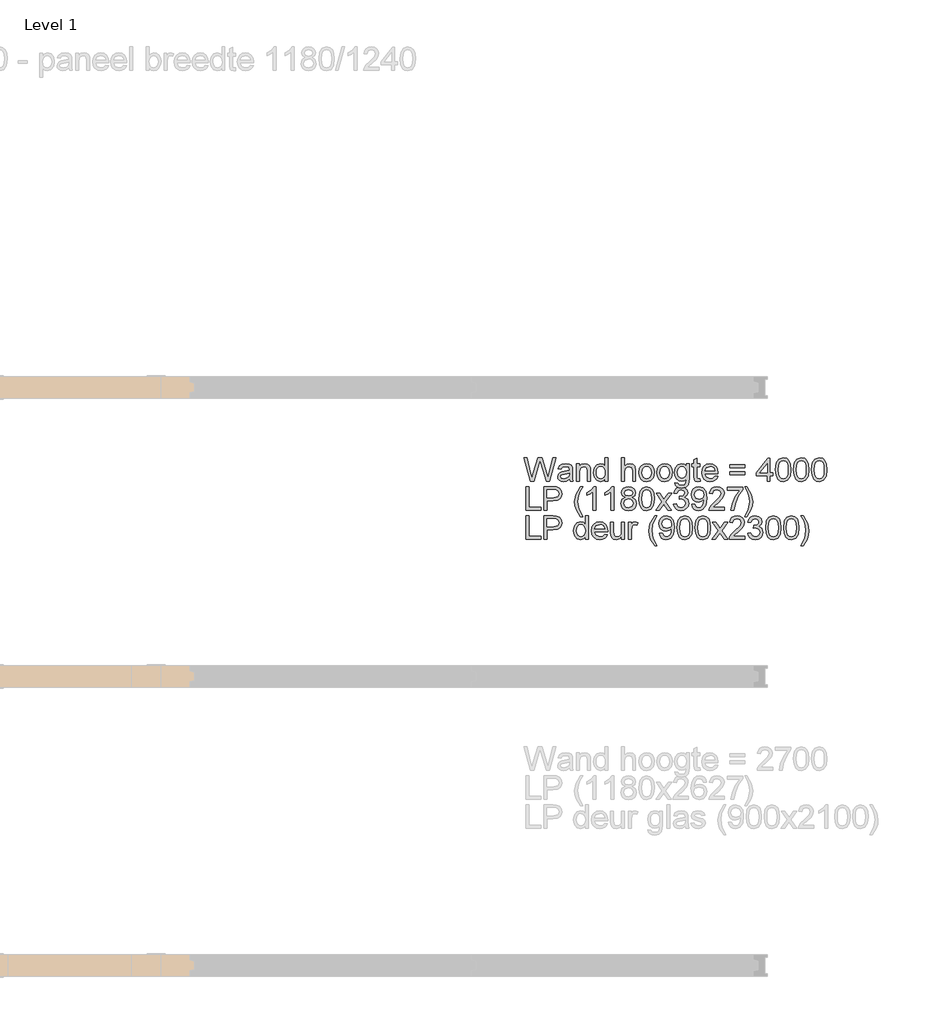
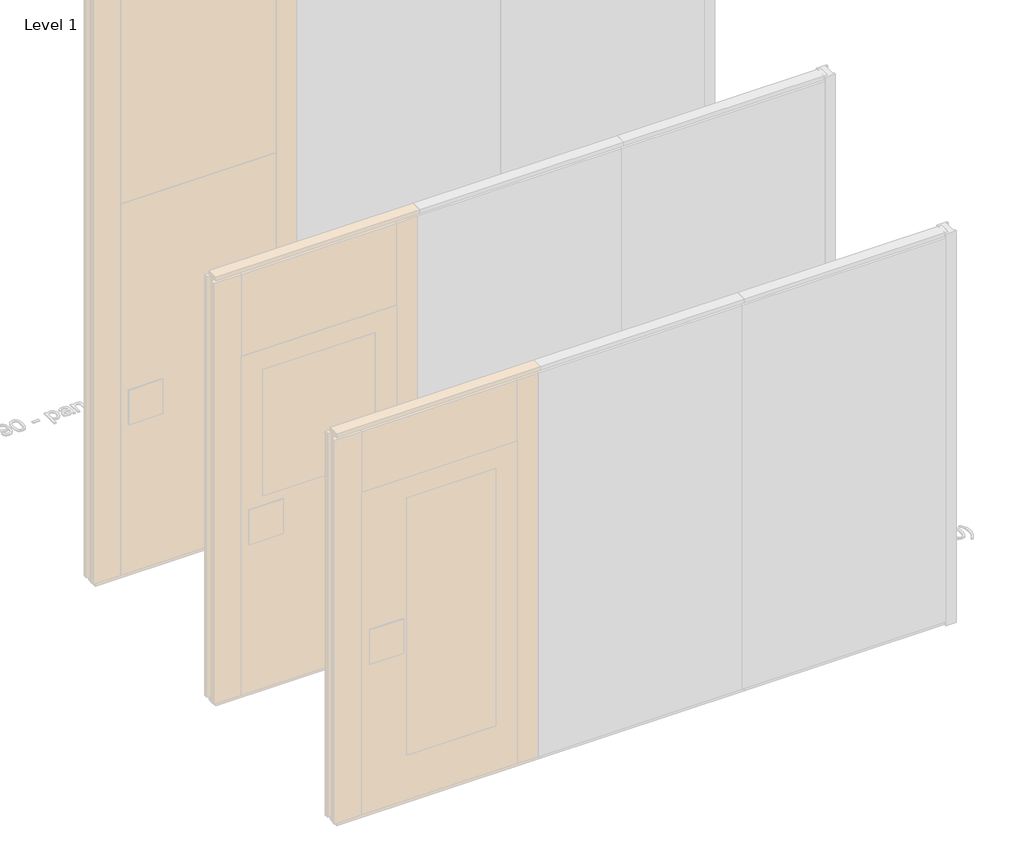
# One storey, part 17 of 17: 1 proxy.
"""IFC4 building model written with IfcOpenShell, lengths in millimetres."""

from ifc_helpers import new_model, si_unit, origin, origin_with_axes, place, context, project, spatial, polyline, outline, extrude, element, save

model = new_model("IFC4")

# Units and contexts
model_context = context("Model", 3, world=origin())
ifc_project = project(units=[si_unit("LENGTHUNIT", "METRE", prefix="MILLI")], contexts=[model_context])

# Site, building, storey
site = spatial("IfcSite", under=ifc_project)
building = spatial("IfcBuilding", under=site)
storey = spatial("IfcBuildingStorey", under=building, Name="Level 1", Elevation=0.0)

# Proxy
placement = place(None, origin())
element("IfcBuildingElementProxy", 1, Name="100 mm", ObjectType="100 mm", at=placement, inside=storey, context=model_context, shape_type="SweptSolid", body=[
    extrude(outline(polyline([(-2181.5016279, 4122.9102169), (-2208.3525894, 4221.3717554), (-2195.6602817, 4221.3717554), (-2180.0833587, 4156.6602169), (-2175.2756664, 4136.6842554), (-2170.1314356, 4154.3525246), (-2150.6122048, 4221.3717554), (-2132.3189356, 4221.3717554), (-2118.1362433, 4172.7900246), (-2107.5833587, 4136.6842554), (-2102.9198971, 4156.0832938), (-2087.1987433, 4221.3717554), (-2074.5064356, 4221.3717554), (-2101.3814356, 4122.9102169), (-2114.530474, 4122.9102169), (-2138.1362433, 4198.8717554), (-2141.4295125, 4209.4727169), (-2145.1314356, 4196.7082938), (-2166.6458587, 4122.9102169), (-2181.5016279, 4122.9102169)])), origin_with_axes(), (0.0, 0.0, 1.0), 5.0),
    extrude(outline(polyline([(-2017.5833587, 4132.1409861), (-2029.5184548, 4123.79964), (-2042.703551, 4121.3717554), (-2052.9890077, 4122.8320919), (-2060.5761471, 4127.2131015), (-2065.2546327, 4133.8657457), (-2066.8141279, 4142.1409861), (-2064.4583587, 4151.8765631), (-2058.2684548, 4158.9438707), (-2049.6506664, 4162.9823323), (-2039.0016279, 4164.8332938), (-2017.655474, 4169.0640631), (-2017.5833587, 4171.8044477), (-2020.9727817, 4180.8909861), (-2034.578551, 4184.4486784), (-2047.030474, 4182.08089), (-2052.967974, 4173.6794477), (-2065.2756664, 4175.2179092), (-2059.9511471, 4187.23714), (-2049.2299933, 4194.2804092), (-2032.9920125, 4196.7563707), (-2018.0761471, 4194.5688707), (-2009.6506664, 4189.0760823), (-2005.8766279, 4180.7227169), (-2005.2756664, 4169.9534861), (-2005.2756664, 4154.6409861), (-2004.6506664, 4133.2587746), (-2002.1987433, 4122.9102169), (-2014.5064356, 4122.9102169), (-2017.5833587, 4132.1409861)]), holes=[polyline([(-2017.5833587, 4156.7563707), (-2037.4391279, 4152.9823323), (-2048.0280702, 4150.98714), (-2052.8237433, 4147.7419477), (-2054.5064356, 4143.0063707), (-2050.8405702, 4136.3477169), (-2040.0833587, 4133.6794477), (-2027.6314356, 4136.6241592), (-2019.6025894, 4143.7515631), (-2017.655474, 4153.2707938), (-2017.5833587, 4156.7563707)])]), origin_with_axes(), (0.0, 0.0, 1.0), 5.0),
    extrude(outline(polyline([(-1988.3525894, 4122.9102169), (-1988.3525894, 4195.2179092), (-1976.0448971, 4195.2179092), (-1976.0448971, 4185.1217554), (-1966.6338394, 4193.8477169), (-1953.7852817, 4196.7563707), (-1942.1626856, 4194.4126207), (-1934.2299933, 4188.2587746), (-1930.5400894, 4179.2082938), (-1929.891051, 4167.3092554), (-1929.891051, 4122.9102169), (-1942.1987433, 4122.9102169), (-1942.1987433, 4165.6506015), (-1943.6170125, 4176.5400246), (-1948.6290317, 4182.2972361), (-1957.078551, 4184.4486784), (-1970.4319164, 4179.6169477), (-1974.6416519, 4172.6157457), (-1976.0448971, 4161.2756015), (-1976.0448971, 4122.9102169), (-1988.3525894, 4122.9102169)])), origin_with_axes(), (0.0, 0.0, 1.0), 5.0),
    extrude(outline(polyline([(-1868.3525894, 4122.9102169), (-1868.3525894, 4134.5207938), (-1876.4956183, 4124.659015), (-1887.7516279, 4121.3717554), (-1902.9920125, 4126.1313707), (-1913.7612433, 4139.4126207), (-1917.5833587, 4158.9919477), (-1914.061724, 4178.5832938), (-1903.5088394, 4192.0688707), (-1887.7997048, 4196.7563707), (-1876.453551, 4193.4030054), (-1868.3525894, 4184.6890631), (-1868.3525894, 4221.3717554), (-1856.0448971, 4221.3717554), (-1856.0448971, 4122.9102169), (-1868.3525894, 4122.9102169)]), holes=[polyline([(-1905.2756664, 4159.0400246), (-1903.8874452, 4147.9072121), (-1899.7227817, 4139.9895438), (-1893.671099, 4135.2569717), (-1886.6218202, 4133.6794477), (-1879.5755462, 4135.1848563), (-1873.6771087, 4139.7010823), (-1869.6837192, 4147.3122602), (-1868.3525894, 4158.1025246), (-1869.7077577, 4169.8993996), (-1873.7732625, 4178.0784861), (-1879.8219404, 4182.8561304), (-1887.1266279, 4184.4486784), (-1894.2480221, 4182.9192313), (-1900.0833587, 4178.33089), (-1903.9775894, 4170.4492794), (-1905.2756664, 4159.0400246)])]), origin_with_axes(), (0.0, 0.0, 1.0), 5.0),
    extrude(outline(polyline([(-1799.1218202, 4122.9102169), (-1799.1218202, 4221.3717554), (-1786.8141279, 4221.3717554), (-1786.8141279, 4185.1698323), (-1777.2167721, 4193.8597361), (-1765.3958587, 4196.7563707), (-1751.5737433, 4193.5953131), (-1743.1843202, 4184.8573323), (-1740.6602817, 4168.6794477), (-1740.6602817, 4122.9102169), (-1752.967974, 4122.9102169), (-1752.967974, 4167.4054092), (-1756.8862433, 4180.3861784), (-1767.9920125, 4184.4486784), (-1778.0761471, 4181.7082938), (-1784.8069164, 4174.2804092), (-1786.8141279, 4161.3236784), (-1786.8141279, 4122.9102169), (-1799.1218202, 4122.9102169)])), origin_with_axes(), (0.0, 0.0, 1.0), 5.0),
    extrude(outline(polyline([(-1726.8141279, 4159.0640631), (-1724.1518683, 4176.4979573), (-1716.1650894, 4188.7515631), (-1706.297301, 4194.7551688), (-1694.4823971, 4196.7563707), (-1681.5527096, 4194.3194717), (-1671.2251856, 4187.0087746), (-1664.4553539, 4175.4012025), (-1662.1987433, 4160.0736784), (-1666.1891279, 4138.17464), (-1677.811724, 4125.7828131), (-1694.4823971, 4121.3717554), (-1707.5683346, 4123.79964), (-1717.8838394, 4131.0832938), (-1724.5815558, 4142.9342554), (-1726.8141279, 4159.0640631)]), holes=[polyline([(-1714.5064356, 4159.0881015), (-1713.0821567, 4147.9492794), (-1708.8093202, 4140.0135823), (-1702.3790317, 4135.2629813), (-1694.4823971, 4133.6794477), (-1686.6218202, 4135.2719957), (-1680.203551, 4140.04964), (-1675.9307144, 4148.0905054), (-1674.5064356, 4159.4727169), (-1675.9397289, 4170.2870198), (-1680.2396087, 4178.1145438), (-1686.6668923, 4182.8651448), (-1694.4823971, 4184.4486784), (-1702.3790317, 4182.8711544), (-1708.8093202, 4178.1385823), (-1713.0821567, 4170.220914), (-1714.5064356, 4159.0881015)])]), origin_with_axes(), (0.0, 0.0, 1.0), 5.0),
    extrude(outline(polyline([(-1651.4295125, 4159.0640631), (-1648.7672529, 4176.4979573), (-1640.780474, 4188.7515631), (-1630.9126856, 4194.7551688), (-1619.0977817, 4196.7563707), (-1606.1680942, 4194.3194717), (-1595.8405702, 4187.0087746), (-1589.0707385, 4175.4012025), (-1586.8141279, 4160.0736784), (-1590.8045125, 4138.17464), (-1602.4271087, 4125.7828131), (-1619.0977817, 4121.3717554), (-1632.1837192, 4123.79964), (-1642.499224, 4131.0832938), (-1649.1969404, 4142.9342554), (-1651.4295125, 4159.0640631)]), holes=[polyline([(-1639.1218202, 4159.0881015), (-1637.6975414, 4147.9492794), (-1633.4247048, 4140.0135823), (-1626.9944164, 4135.2629813), (-1619.0977817, 4133.6794477), (-1611.2372048, 4135.2719957), (-1604.8189356, 4140.04964), (-1600.546099, 4148.0905054), (-1599.1218202, 4159.4727169), (-1600.5551135, 4170.2870198), (-1604.8549933, 4178.1145438), (-1611.2822769, 4182.8651448), (-1619.0977817, 4184.4486784), (-1626.9944164, 4182.8711544), (-1633.4247048, 4178.1385823), (-1637.6975414, 4170.220914), (-1639.1218202, 4159.0881015)])]), origin_with_axes(), (0.0, 0.0, 1.0), 5.0),
    extrude(outline(polyline([(-1576.0448971, 4116.7563707), (-1563.7372048, 4115.2179092), (-1559.7468202, 4108.7275246), (-1547.7997048, 4105.98714), (-1535.203551, 4109.0881015), (-1529.1939356, 4117.7900246), (-1528.3525894, 4132.1409861), (-1537.0184548, 4125.2179092), (-1547.5833587, 4122.9102169), (-1560.2726615, 4125.596515), (-1569.734801, 4133.6554092), (-1575.6212192, 4145.4703131), (-1577.5833587, 4159.42464), (-1574.061724, 4178.4991592), (-1563.8694164, 4191.9967554), (-1548.1843202, 4196.7563707), (-1537.2047529, 4194.0640631), (-1528.3525894, 4185.98714), (-1528.3525894, 4195.2179092), (-1516.0448971, 4195.2179092), (-1516.0448971, 4132.7900246), (-1519.4102817, 4108.8837746), (-1530.0713394, 4097.7659861), (-1548.0400894, 4093.6794477), (-1559.4914115, 4095.1187506), (-1568.5088394, 4099.4366592), (-1574.2930942, 4106.6451929), (-1576.0448971, 4116.7563707)]), holes=[polyline([(-1565.2756664, 4160.2659861), (-1563.9625654, 4148.9769236), (-1560.0232625, 4141.2155054), (-1554.1007865, 4136.7173082), (-1546.8381664, 4135.2179092), (-1539.6296327, 4136.7082938), (-1533.6771087, 4141.1794477), (-1529.6837192, 4148.8417073), (-1528.3525894, 4159.9054092), (-1529.7227817, 4170.5754813), (-1533.8333587, 4178.2587746), (-1539.8730221, 4182.9012025), (-1547.030474, 4184.4486784), (-1554.0587192, 4182.9252409), (-1559.9511471, 4178.3549284), (-1563.9445365, 4170.7858179), (-1565.2756664, 4160.2659861)])]), origin_with_axes(), (0.0, 0.0, 1.0), 5.0),
    extrude(outline(polyline([(-1471.4295125, 4133.17464), (-1469.891051, 4122.54964), (-1479.0977817, 4121.3717554), (-1489.4102817, 4123.4150246), (-1494.5545125, 4128.7756015), (-1496.0448971, 4142.7419477), (-1496.0448971, 4182.9102169), (-1505.2756664, 4182.9102169), (-1505.2756664, 4195.2179092), (-1496.0448971, 4195.2179092), (-1496.0448971, 4212.7900246), (-1483.7372048, 4220.0256015), (-1483.7372048, 4195.2179092), (-1471.4295125, 4195.2179092), (-1471.4295125, 4182.9102169), (-1483.7372048, 4182.9102169), (-1483.7372048, 4143.1025246), (-1483.0881664, 4136.7563707), (-1480.984801, 4134.5087746), (-1476.7900894, 4133.6794477), (-1471.4295125, 4133.17464)])), origin_with_axes(), (0.0, 0.0, 1.0), 5.0),
    extrude(outline(polyline([(-1408.4968202, 4144.4486784), (-1396.4295125, 4142.9102169), (-1400.7774692, 4133.8176688), (-1407.7155702, 4127.0207938), (-1417.0875654, 4122.784015), (-1428.7372048, 4121.3717554), (-1443.1783106, 4123.8086544), (-1454.2900894, 4131.1193515), (-1461.375426, 4142.8290871), (-1463.7372048, 4158.4631015), (-1461.3513875, 4174.6229573), (-1454.1939356, 4186.7082938), (-1443.2323971, 4194.2443515), (-1429.4343202, 4196.7563707), (-1416.0659308, 4194.2503611), (-1405.3838394, 4186.7323323), (-1398.3796327, 4174.6710342), (-1396.0448971, 4158.5352169), (-1396.1170125, 4155.2179092), (-1451.4295125, 4155.2179092), (-1449.2991039, 4146.0051688), (-1444.3501856, 4139.2323323), (-1428.4968202, 4133.6794477), (-1416.4295125, 4136.2515631), (-1408.4968202, 4144.4486784)]), holes=[polyline([(-1451.4295125, 4167.5256015), (-1408.3525894, 4167.5256015), (-1413.280474, 4178.6794477), (-1420.4559548, 4183.0063707), (-1429.4823971, 4184.4486784), (-1444.6386471, 4179.8453131), (-1451.4295125, 4167.5256015)])]), origin_with_axes(), (0.0, 0.0, 1.0), 5.0),
    extrude(outline(polyline([(-1282.1987433, 4179.8332938), (-1346.8141279, 4179.8332938), (-1346.8141279, 4192.1409861), (-1282.1987433, 4192.1409861), (-1282.1987433, 4179.8332938)])), origin_with_axes(), (0.0, 0.0, 1.0), 5.0),
    extrude(outline(polyline([(-1282.1987433, 4150.6025246), (-1346.8141279, 4150.6025246), (-1346.8141279, 4162.9102169), (-1282.1987433, 4162.9102169), (-1282.1987433, 4150.6025246)])), origin_with_axes(), (0.0, 0.0, 1.0), 5.0),
    extrude(outline(polyline([(-1189.891051, 4122.9102169), (-1189.891051, 4145.98714), (-1234.5064356, 4145.98714), (-1234.5064356, 4158.2948323), (-1186.8141279, 4219.8332938), (-1177.5833587, 4219.8332938), (-1177.5833587, 4158.2948323), (-1165.2756664, 4158.2948323), (-1165.2756664, 4145.98714), (-1177.5833587, 4145.98714), (-1177.5833587, 4122.9102169), (-1189.891051, 4122.9102169)]), holes=[polyline([(-1189.891051, 4158.2948323), (-1189.891051, 4196.3236784), (-1219.3622048, 4158.2948323), (-1189.891051, 4158.2948323)])]), origin_with_axes(), (0.0, 0.0, 1.0), 5.0),
    extrude(outline(polyline([(-1154.5064356, 4171.3477169), (-1150.8886471, 4199.6770438), (-1140.1434548, 4216.0111784), (-1122.1987433, 4221.3717554), (-1107.8237433, 4218.1986784), (-1097.8958587, 4209.0520438), (-1092.1266279, 4194.4847361), (-1089.891051, 4171.3477169), (-1093.4727817, 4143.1385823), (-1104.1819164, 4126.76839), (-1122.1987433, 4121.3717554), (-1134.9872048, 4123.7155054), (-1144.6987433, 4130.7467554), (-1152.0545125, 4147.3993996), (-1154.5064356, 4171.3477169)]), holes=[polyline([(-1142.1987433, 4171.3717554), (-1140.7564356, 4152.0117794), (-1136.4295125, 4140.8068515), (-1129.9872048, 4135.4612986), (-1122.1987433, 4133.6794477), (-1114.4102817, 4135.4673082), (-1107.967974, 4140.83089), (-1103.641051, 4152.0418275), (-1102.1987433, 4171.3717554), (-1103.592974, 4190.2960342), (-1107.7756664, 4201.5881015), (-1114.2059548, 4207.1950727), (-1122.342974, 4209.0640631), (-1130.047301, 4207.4174284), (-1136.2372048, 4202.4775246), (-1140.7083587, 4190.4823323), (-1142.1987433, 4171.3717554)])]), origin_with_axes(), (0.0, 0.0, 1.0), 5.0),
    extrude(outline(polyline([(-1079.1218202, 4171.3477169), (-1075.5040317, 4199.6770438), (-1064.7588394, 4216.0111784), (-1046.8141279, 4221.3717554), (-1032.4391279, 4218.1986784), (-1022.5112433, 4209.0520438), (-1016.7420125, 4194.4847361), (-1014.5064356, 4171.3477169), (-1018.0881664, 4143.1385823), (-1028.797301, 4126.76839), (-1046.8141279, 4121.3717554), (-1059.6025894, 4123.7155054), (-1069.3141279, 4130.7467554), (-1076.6698971, 4147.3993996), (-1079.1218202, 4171.3477169)]), holes=[polyline([(-1066.8141279, 4171.3717554), (-1065.3718202, 4152.0117794), (-1061.0448971, 4140.8068515), (-1054.6025894, 4135.4612986), (-1046.8141279, 4133.6794477), (-1039.0256664, 4135.4673082), (-1032.5833587, 4140.83089), (-1028.2564356, 4152.0418275), (-1026.8141279, 4171.3717554), (-1028.2083587, 4190.2960342), (-1032.391051, 4201.5881015), (-1038.8213394, 4207.1950727), (-1046.9583587, 4209.0640631), (-1054.6626856, 4207.4174284), (-1060.8525894, 4202.4775246), (-1065.3237433, 4190.4823323), (-1066.8141279, 4171.3717554)])]), origin_with_axes(), (0.0, 0.0, 1.0), 5.0),
    extrude(outline(polyline([(-1003.7372048, 4171.3477169), (-1000.1194164, 4199.6770438), (-989.374224, 4216.0111784), (-971.4295125, 4221.3717554), (-957.0545125, 4218.1986784), (-947.1266279, 4209.0520438), (-941.3573971, 4194.4847361), (-939.1218202, 4171.3477169), (-942.703551, 4143.1385823), (-953.4126856, 4126.76839), (-971.4295125, 4121.3717554), (-984.217974, 4123.7155054), (-993.9295125, 4130.7467554), (-1001.2852817, 4147.3993996), (-1003.7372048, 4171.3477169)]), holes=[polyline([(-991.4295125, 4171.3717554), (-989.9872048, 4152.0117794), (-985.6602817, 4140.8068515), (-979.217974, 4135.4612986), (-971.4295125, 4133.6794477), (-963.641051, 4135.4673082), (-957.1987433, 4140.83089), (-952.8718202, 4152.0418275), (-951.4295125, 4171.3717554), (-952.8237433, 4190.2960342), (-957.0064356, 4201.5881015), (-963.436724, 4207.1950727), (-971.5737433, 4209.0640631), (-979.2780702, 4207.4174284), (-985.467974, 4202.4775246), (-989.9391279, 4190.4823323), (-991.4295125, 4171.3717554)])]), origin_with_axes(), (0.0, 0.0, 1.0), 5.0),
    extrude(outline(polyline([(-2199.1218202, 4001.3717554), (-2199.1218202, 4099.8332938), (-2186.8141279, 4099.8332938), (-2186.8141279, 4013.6794477), (-2137.5833587, 4013.6794477), (-2137.5833587, 4001.3717554), (-2199.1218202, 4001.3717554)])), origin_with_axes(), (0.0, 0.0, 1.0), 5.0),
    extrude(outline(polyline([(-2123.7372048, 4001.3717554), (-2123.7372048, 4099.8332938), (-2087.2468202, 4099.8332938), (-2072.5352817, 4098.8957938), (-2060.5761471, 4094.2924284), (-2052.8237433, 4084.7731977), (-2049.891051, 4071.3477169), (-2051.8712192, 4059.7431496), (-2057.811724, 4050.0736784), (-2068.9204981, 4043.5472361), (-2086.405474, 4041.3717554), (-2111.4295125, 4041.3717554), (-2111.4295125, 4001.3717554), (-2123.7372048, 4001.3717554)]), holes=[polyline([(-2111.4295125, 4053.6794477), (-2085.6843202, 4053.6794477), (-2067.5593202, 4058.1986784), (-2063.5388875, 4063.6373804), (-2062.1987433, 4070.9150246), (-2065.359801, 4081.1073323), (-2073.6650894, 4086.6842554), (-2085.9727817, 4087.5256015), (-2111.4295125, 4087.5256015), (-2111.4295125, 4053.6794477)])]), origin_with_axes(), (0.0, 0.0, 1.0), 5.0),
    extrude(outline(polyline([(-1971.4295125, 3973.6794477), (-1988.905474, 4002.54964), (-1994.2600414, 4019.3885823), (-1996.0448971, 4036.8284861), (-1990.7083587, 4066.7563707), (-1971.4295125, 4099.8332938), (-1962.1987433, 4099.8332938), (-1973.7131664, 4080.3381015), (-1980.6362433, 4061.4438707), (-1983.7372048, 4036.7563707), (-1978.3525894, 4005.20589), (-1962.1987433, 3973.6794477), (-1971.4295125, 3973.6794477)])), origin_with_axes(), (0.0, 0.0, 1.0), 5.0),
    extrude(outline(polyline([(-1906.8141279, 4001.3717554), (-1919.1218202, 4001.3717554), (-1919.1218202, 4078.1025246), (-1930.780474, 4069.7972361), (-1943.7372048, 4063.5832938), (-1943.7372048, 4075.2179092), (-1925.6963394, 4086.7323323), (-1914.7468202, 4099.8332938), (-1906.8141279, 4099.8332938), (-1906.8141279, 4001.3717554)])), origin_with_axes(), (0.0, 0.0, 1.0), 5.0),
    extrude(outline(polyline([(-1831.4295125, 4001.3717554), (-1843.7372048, 4001.3717554), (-1843.7372048, 4078.1025246), (-1855.3958587, 4069.7972361), (-1868.3525894, 4063.5832938), (-1868.3525894, 4075.2179092), (-1850.311724, 4086.7323323), (-1839.3622048, 4099.8332938), (-1831.4295125, 4099.8332938), (-1831.4295125, 4001.3717554)])), origin_with_axes(), (0.0, 0.0, 1.0), 5.0),
    extrude(outline(polyline([(-1784.266051, 4055.6025246), (-1795.4799933, 4063.2467554), (-1799.1218202, 4075.1457938), (-1797.1386471, 4084.7671881), (-1791.1891279, 4092.7179092), (-1781.9403298, 4098.0544477), (-1770.0593202, 4099.8332938), (-1758.1061952, 4098.0123804), (-1748.7372048, 4092.54964), (-1742.6795125, 4084.4727169), (-1740.6602817, 4074.8092554), (-1744.2540317, 4063.2106977), (-1755.155474, 4055.6025246), (-1742.0665317, 4045.9510823), (-1737.5833587, 4030.0256015), (-1739.8069164, 4018.2587746), (-1746.4775894, 4008.5352169), (-1756.7780702, 4002.0087746), (-1769.891051, 3999.8332938), (-1783.0040317, 4002.017789), (-1793.3045125, 4008.5712746), (-1799.9751856, 4018.3879813), (-1802.1987433, 4030.36214), (-1797.5352817, 4046.6602169), (-1784.266051, 4055.6025246)]), holes=[polyline([(-1789.891051, 4030.7948323), (-1787.8357625, 4021.5280054), (-1780.5641279, 4014.5929092), (-1769.7948971, 4012.1409861), (-1755.1314356, 4017.2972361), (-1749.891051, 4030.4102169), (-1755.2997048, 4043.7756015), (-1761.7299933, 4047.7419477), (-1770.203551, 4049.0640631), (-1784.686724, 4043.8477169), (-1789.891051, 4030.7948323)]), polyline([(-1786.8141279, 4074.7852169), (-1782.4511471, 4065.1217554), (-1769.7468202, 4061.3717554), (-1757.2948971, 4065.0977169), (-1752.967974, 4074.2323323), (-1757.4391279, 4083.6914669), (-1769.891051, 4087.5256015), (-1782.3790317, 4083.7756015), (-1786.8141279, 4074.7852169)])]), origin_with_axes(), (0.0, 0.0, 1.0), 5.0),
    extrude(outline(polyline([(-1726.8141279, 4049.8092554), (-1723.1963394, 4078.1385823), (-1712.4511471, 4094.4727169), (-1694.5064356, 4099.8332938), (-1680.1314356, 4096.6602169), (-1670.203551, 4087.5135823), (-1664.4343202, 4072.9462746), (-1662.1987433, 4049.8092554), (-1665.780474, 4021.6001207), (-1676.4896087, 4005.2299284), (-1694.5064356, 3999.8332938), (-1707.2948971, 4002.1770438), (-1717.0064356, 4009.2082938), (-1724.3622048, 4025.8609381), (-1726.8141279, 4049.8092554)]), holes=[polyline([(-1714.5064356, 4049.8332938), (-1713.0641279, 4030.4733179), (-1708.7372048, 4019.26839), (-1702.2948971, 4013.9228371), (-1694.5064356, 4012.1409861), (-1686.717974, 4013.9288467), (-1680.2756664, 4019.2924284), (-1675.9487433, 4030.5033659), (-1674.5064356, 4049.8332938), (-1675.9006664, 4068.7575727), (-1680.0833587, 4080.04964), (-1686.5136471, 4085.6566111), (-1694.6506664, 4087.5256015), (-1702.3549933, 4085.8789669), (-1708.5448971, 4080.9390631), (-1713.016051, 4068.9438707), (-1714.5064356, 4049.8332938)])]), origin_with_axes(), (0.0, 0.0, 1.0), 5.0),
    extrude(outline(polyline([(-1656.0448971, 4001.3717554), (-1629.7468202, 4037.7179092), (-1654.5064356, 4073.6794477), (-1639.6987433, 4073.6794477), (-1627.7516279, 4056.3717554), (-1622.1747048, 4048.1986784), (-1617.342974, 4054.8813707), (-1603.7372048, 4073.6794477), (-1588.9295125, 4073.6794477), (-1614.9391279, 4037.7179092), (-1589.891051, 4001.3717554), (-1604.6987433, 4001.3717554), (-1619.7708587, 4023.2227169), (-1622.5352817, 4027.2131015), (-1641.2372048, 4001.3717554), (-1656.0448971, 4001.3717554)])), origin_with_axes(), (0.0, 0.0, 1.0), 5.0),
    extrude(outline(polyline([(-1582.1987433, 4027.5256015), (-1569.891051, 4029.0640631), (-1563.1001856, 4016.1073323), (-1550.3958587, 4012.1409861), (-1541.9583587, 4013.5051688), (-1535.4439356, 4017.5977169), (-1529.891051, 4031.1073323), (-1535.3958587, 4043.8356977), (-1549.3862433, 4048.8717554), (-1558.016051, 4047.5256015), (-1556.6458587, 4059.8332938), (-1554.6747048, 4059.6890631), (-1540.7083587, 4063.2227169), (-1536.0569164, 4067.70589), (-1534.5064356, 4074.0881015), (-1539.0016279, 4083.7155054), (-1550.5881664, 4087.5256015), (-1562.3189356, 4083.6794477), (-1568.3525894, 4072.1409861), (-1580.6602817, 4073.6794477), (-1577.0364837, 4084.7311304), (-1570.5881664, 4092.9823323), (-1561.766051, 4098.1205534), (-1551.0208587, 4099.8332938), (-1536.1771087, 4096.45589), (-1525.7924933, 4087.2251207), (-1522.1987433, 4074.8092554), (-1525.6122048, 4063.4631015), (-1535.7083587, 4055.3140631), (-1522.2948971, 4046.9006015), (-1517.5833587, 4030.8909861), (-1519.9391279, 4018.8957938), (-1527.0064356, 4008.8717554), (-1537.6735029, 4002.0929092), (-1550.828551, 3999.8332938), (-1562.7275894, 4001.7623804), (-1572.4150894, 4007.54964), (-1579.1518683, 4016.4018034), (-1582.1987433, 4027.5256015)])), origin_with_axes(), (0.0, 0.0, 1.0), 5.0),
    extrude(outline(polyline([(-1505.2756664, 4025.98714), (-1492.967974, 4027.5256015), (-1487.4391279, 4015.7828131), (-1476.9583587, 4012.1409861), (-1466.9944164, 4014.4847361), (-1460.2396087, 4020.7467554), (-1456.2131664, 4031.4438707), (-1454.4343202, 4045.7227169), (-1454.5064356, 4048.1265631), (-1464.3501856, 4038.79964), (-1477.8477817, 4035.2179092), (-1489.0707385, 4037.4054092), (-1498.4126856, 4043.9679092), (-1504.7137673, 4054.1061304), (-1506.8141279, 4067.0207938), (-1504.6116039, 4080.36214), (-1498.0040317, 4090.8188707), (-1488.0791519, 4097.5796881), (-1475.9247048, 4099.8332938), (-1458.3886471, 4094.6890631), (-1446.3213394, 4080.0256015), (-1442.1987433, 4052.4775246), (-1446.3093202, 4022.5856977), (-1458.5328779, 4005.6506015), (-1467.3399692, 4001.2876207), (-1477.5352817, 3999.8332938), (-1488.0581183, 4001.549039), (-1496.453551, 4006.6962746), (-1502.3249452, 4014.9504813), (-1505.2756664, 4025.98714)]), holes=[polyline([(-1454.5064356, 4067.3092554), (-1459.8189356, 4082.0688707), (-1473.9295125, 4087.5256015), (-1482.1506664, 4086.0562506), (-1488.7372048, 4081.6481977), (-1493.0641279, 4074.9024044), (-1494.5064356, 4066.4198323), (-1489.0497048, 4052.7780054), (-1474.266051, 4047.5256015), (-1460.0713394, 4052.7780054), (-1455.8976615, 4059.0370198), (-1454.5064356, 4067.3092554)])]), origin_with_axes(), (0.0, 0.0, 1.0), 5.0),
    extrude(outline(polyline([(-1368.3525894, 4013.6794477), (-1368.3525894, 4001.3717554), (-1432.967974, 4001.3717554), (-1431.6458587, 4009.8573323), (-1424.1698971, 4022.9222361), (-1408.7612433, 4037.1890631), (-1387.5112433, 4057.6938707), (-1382.1987433, 4071.6361784), (-1387.2107625, 4082.9222361), (-1400.2997048, 4087.5256015), (-1413.9415317, 4083.0304092), (-1419.1218202, 4070.6025246), (-1431.4295125, 4072.1409861), (-1428.4457385, 4084.0460342), (-1421.9944164, 4092.7419477), (-1412.4120846, 4098.0604573), (-1400.0352817, 4099.8332938), (-1387.5683346, 4097.86214), (-1378.0040317, 4091.9486784), (-1371.9192962, 4083.1145438), (-1369.891051, 4072.3813707), (-1372.078551, 4060.7106977), (-1379.3501856, 4048.64339), (-1396.9823971, 4031.7804092), (-1411.141051, 4019.9414669), (-1416.6939356, 4013.6794477), (-1368.3525894, 4013.6794477)])), origin_with_axes(), (0.0, 0.0, 1.0), 5.0),
    extrude(outline(polyline([(-1356.0448971, 4085.98714), (-1356.0448971, 4098.2948323), (-1291.4295125, 4098.2948323), (-1291.4295125, 4088.3429092), (-1309.7588394, 4061.8645438), (-1323.7852817, 4028.1265631), (-1328.3525894, 4001.3717554), (-1340.6602817, 4001.3717554), (-1335.7684548, 4029.1361784), (-1322.342974, 4060.51839), (-1303.7372048, 4085.98714), (-1356.0448971, 4085.98714)])), origin_with_axes(), (0.0, 0.0, 1.0), 5.0),
    extrude(outline(polyline([(-1274.5064356, 3973.6794477), (-1283.7372048, 3973.6794477), (-1267.5833587, 4005.20589), (-1262.1987433, 4036.7563707), (-1265.2997048, 4061.2275246), (-1272.1506664, 4080.1457938), (-1283.7372048, 4099.8332938), (-1274.5064356, 4099.8332938), (-1255.2275894, 4066.7563707), (-1249.891051, 4036.8284861), (-1251.6849212, 4019.3885823), (-1257.0665317, 4002.54964), (-1274.5064356, 3973.6794477)])), origin_with_axes(), (0.0, 0.0, 1.0), 5.0),
    extrude(outline(polyline([(-2199.1218202, 3879.8332938), (-2199.1218202, 3978.2948323), (-2186.8141279, 3978.2948323), (-2186.8141279, 3892.1409861), (-2137.5833587, 3892.1409861), (-2137.5833587, 3879.8332938), (-2199.1218202, 3879.8332938)])), origin_with_axes(), (0.0, 0.0, 1.0), 5.0),
    extrude(outline(polyline([(-2123.7372048, 3879.8332938), (-2123.7372048, 3978.2948323), (-2087.2468202, 3978.2948323), (-2072.5352817, 3977.3573323), (-2060.5761471, 3972.7539669), (-2052.8237433, 3963.2347361), (-2049.891051, 3949.8092554), (-2051.8712192, 3938.2046881), (-2057.811724, 3928.5352169), (-2068.9204981, 3922.0087746), (-2086.405474, 3919.8332938), (-2111.4295125, 3919.8332938), (-2111.4295125, 3879.8332938), (-2123.7372048, 3879.8332938)]), holes=[polyline([(-2111.4295125, 3932.1409861), (-2085.6843202, 3932.1409861), (-2067.5593202, 3936.6602169), (-2063.5388875, 3942.0989188), (-2062.1987433, 3949.3765631), (-2065.359801, 3959.5688707), (-2073.6650894, 3965.1457938), (-2085.9727817, 3965.98714), (-2111.4295125, 3965.98714), (-2111.4295125, 3932.1409861)])]), origin_with_axes(), (0.0, 0.0, 1.0), 5.0),
    extrude(outline(polyline([(-1951.4295125, 3879.8332938), (-1951.4295125, 3891.4438707), (-1959.5725414, 3881.5820919), (-1970.828551, 3878.2948323), (-1986.0689356, 3883.0544477), (-1996.8381664, 3896.3356977), (-2000.6602817, 3915.9150246), (-1997.1386471, 3935.5063707), (-1986.5857625, 3948.9919477), (-1970.8766279, 3953.6794477), (-1959.530474, 3950.3260823), (-1951.4295125, 3941.61214), (-1951.4295125, 3978.2948323), (-1939.1218202, 3978.2948323), (-1939.1218202, 3879.8332938), (-1951.4295125, 3879.8332938)]), holes=[polyline([(-1988.3525894, 3915.9631015), (-1986.9643683, 3904.830289), (-1982.7997048, 3896.9126207), (-1976.7480221, 3892.1800486), (-1969.6987433, 3890.6025246), (-1962.6524692, 3892.1079332), (-1956.7540317, 3896.6241592), (-1952.7606423, 3904.2353371), (-1951.4295125, 3915.0256015), (-1952.7846808, 3926.8224765), (-1956.8501856, 3935.0015631), (-1962.8988635, 3939.7792073), (-1970.203551, 3941.3717554), (-1977.3249452, 3939.8423082), (-1983.1602817, 3935.2539669), (-1987.0545125, 3927.3723563), (-1988.3525894, 3915.9631015)])]), origin_with_axes(), (0.0, 0.0, 1.0), 5.0),
    extrude(outline(polyline([(-1870.0352817, 3901.3717554), (-1857.967974, 3899.8332938), (-1862.3159308, 3890.7407457), (-1869.2540317, 3883.9438707), (-1878.6260269, 3879.7070919), (-1890.2756664, 3878.2948323), (-1904.7167721, 3880.7317313), (-1915.828551, 3888.0424284), (-1922.9138875, 3899.752164), (-1925.2756664, 3915.3861784), (-1922.889849, 3931.5460342), (-1915.7323971, 3943.6313707), (-1904.7708587, 3951.1674284), (-1890.9727817, 3953.6794477), (-1877.6043923, 3951.1734381), (-1866.922301, 3943.6554092), (-1859.9180942, 3931.5941111), (-1857.5833587, 3915.4582938), (-1857.655474, 3912.1409861), (-1912.967974, 3912.1409861), (-1910.8375654, 3902.9282457), (-1905.8886471, 3896.1554092), (-1890.0352817, 3890.6025246), (-1877.967974, 3893.17464), (-1870.0352817, 3901.3717554)]), holes=[polyline([(-1912.967974, 3924.4486784), (-1869.891051, 3924.4486784), (-1874.8189356, 3935.6025246), (-1881.9944164, 3939.9294477), (-1891.0208587, 3941.3717554), (-1906.1771087, 3936.76839), (-1912.967974, 3924.4486784)])]), origin_with_axes(), (0.0, 0.0, 1.0), 5.0),
    extrude(outline(polyline([(-1799.1218202, 3879.8332938), (-1799.1218202, 3892.2611784), (-1808.7612433, 3881.7864188), (-1821.3333587, 3878.2948323), (-1832.9078779, 3880.7467554), (-1840.8886471, 3886.9006015), (-1844.5545125, 3895.9631015), (-1845.2756664, 3907.4054092), (-1845.2756664, 3952.1409861), (-1832.967974, 3952.1409861), (-1832.967974, 3913.1986784), (-1832.2227817, 3900.6506015), (-1827.3549933, 3893.2828131), (-1818.1843202, 3890.6025246), (-1807.9078779, 3893.3429092), (-1801.1170125, 3900.8068515), (-1799.1218202, 3914.5207938), (-1799.1218202, 3952.1409861), (-1786.8141279, 3952.1409861), (-1786.8141279, 3879.8332938), (-1799.1218202, 3879.8332938)])), origin_with_axes(), (0.0, 0.0, 1.0), 5.0),
    extrude(outline(polyline([(-1769.891051, 3879.8332938), (-1769.891051, 3952.1409861), (-1759.1218202, 3952.1409861), (-1759.1218202, 3941.4438707), (-1751.4775894, 3951.29964), (-1743.7852817, 3953.6794477), (-1731.4295125, 3949.8813707), (-1735.5400894, 3938.8477169), (-1744.1939356, 3941.3717554), (-1751.1530702, 3938.9438707), (-1755.5881664, 3932.2131015), (-1757.5833587, 3917.8381015), (-1757.5833587, 3879.8332938), (-1769.891051, 3879.8332938)])), origin_with_axes(), (0.0, 0.0, 1.0), 5.0),
    extrude(outline(polyline([(-1660.6602817, 3852.1409861), (-1678.1362433, 3881.0111784), (-1683.4908106, 3897.8501207), (-1685.2756664, 3915.2900246), (-1679.9391279, 3945.2179092), (-1660.6602817, 3978.2948323), (-1651.4295125, 3978.2948323), (-1662.9439356, 3958.79964), (-1669.8670125, 3939.9054092), (-1672.967974, 3915.2179092), (-1667.5833587, 3883.6674284), (-1651.4295125, 3852.1409861), (-1660.6602817, 3852.1409861)])), origin_with_axes(), (0.0, 0.0, 1.0), 5.0),
    extrude(outline(polyline([(-1640.6602817, 3904.4486784), (-1628.3525894, 3905.98714), (-1622.8237433, 3894.2443515), (-1612.342974, 3890.6025246), (-1602.3790317, 3892.9462746), (-1595.624224, 3899.2082938), (-1591.5977817, 3909.9054092), (-1589.8189356, 3924.1842554), (-1589.891051, 3926.5881015), (-1599.734801, 3917.2611784), (-1613.2323971, 3913.6794477), (-1624.4553539, 3915.8669477), (-1633.797301, 3922.4294477), (-1640.0983827, 3932.5676688), (-1642.1987433, 3945.4823323), (-1639.9962192, 3958.8236784), (-1633.3886471, 3969.2804092), (-1623.4637673, 3976.0412265), (-1611.3093202, 3978.2948323), (-1593.7732625, 3973.1506015), (-1581.7059548, 3958.48714), (-1577.5833587, 3930.9390631), (-1581.6939356, 3901.0472361), (-1593.9174933, 3884.11214), (-1602.7245846, 3879.7491592), (-1612.9198971, 3878.2948323), (-1623.4427337, 3880.0105775), (-1631.8381664, 3885.1578131), (-1637.7095606, 3893.4120198), (-1640.6602817, 3904.4486784)]), holes=[polyline([(-1589.891051, 3945.7707938), (-1595.203551, 3960.5304092), (-1609.3141279, 3965.98714), (-1617.5352817, 3964.517789), (-1624.1218202, 3960.1097361), (-1628.4487433, 3953.3639429), (-1629.891051, 3944.8813707), (-1624.4343202, 3931.2395438), (-1609.6506664, 3925.98714), (-1595.4559548, 3931.2395438), (-1591.2822769, 3937.4985582), (-1589.891051, 3945.7707938)])]), origin_with_axes(), (0.0, 0.0, 1.0), 5.0),
    extrude(outline(polyline([(-1566.8141279, 3928.2707938), (-1563.1963394, 3956.6001207), (-1552.4511471, 3972.9342554), (-1534.5064356, 3978.2948323), (-1520.1314356, 3975.1217554), (-1510.203551, 3965.9751207), (-1504.4343202, 3951.4078131), (-1502.1987433, 3928.2707938), (-1505.780474, 3900.0616592), (-1516.4896087, 3883.6914669), (-1534.5064356, 3878.2948323), (-1547.2948971, 3880.6385823), (-1557.0064356, 3887.6698323), (-1564.3622048, 3904.3224765), (-1566.8141279, 3928.2707938)]), holes=[polyline([(-1554.5064356, 3928.2948323), (-1553.0641279, 3908.9348563), (-1548.7372048, 3897.7299284), (-1542.2948971, 3892.3843756), (-1534.5064356, 3890.6025246), (-1526.717974, 3892.3903852), (-1520.2756664, 3897.7539669), (-1515.9487433, 3908.9649044), (-1514.5064356, 3928.2948323), (-1515.9006664, 3947.2191111), (-1520.0833587, 3958.5111784), (-1526.5136471, 3964.1181496), (-1534.6506664, 3965.98714), (-1542.3549933, 3964.3405054), (-1548.5448971, 3959.4006015), (-1553.016051, 3947.4054092), (-1554.5064356, 3928.2948323)])]), origin_with_axes(), (0.0, 0.0, 1.0), 5.0),
    extrude(outline(polyline([(-1491.4295125, 3928.2707938), (-1487.811724, 3956.6001207), (-1477.0665317, 3972.9342554), (-1459.1218202, 3978.2948323), (-1444.7468202, 3975.1217554), (-1434.8189356, 3965.9751207), (-1429.0497048, 3951.4078131), (-1426.8141279, 3928.2707938), (-1430.3958587, 3900.0616592), (-1441.1049933, 3883.6914669), (-1459.1218202, 3878.2948323), (-1471.9102817, 3880.6385823), (-1481.6218202, 3887.6698323), (-1488.9775894, 3904.3224765), (-1491.4295125, 3928.2707938)]), holes=[polyline([(-1479.1218202, 3928.2948323), (-1477.6795125, 3908.9348563), (-1473.3525894, 3897.7299284), (-1466.9102817, 3892.3843756), (-1459.1218202, 3890.6025246), (-1451.3333587, 3892.3903852), (-1444.891051, 3897.7539669), (-1440.5641279, 3908.9649044), (-1439.1218202, 3928.2948323), (-1440.516051, 3947.2191111), (-1444.6987433, 3958.5111784), (-1451.1290317, 3964.1181496), (-1459.266051, 3965.98714), (-1466.9703779, 3964.3405054), (-1473.1602817, 3959.4006015), (-1477.6314356, 3947.4054092), (-1479.1218202, 3928.2948323)])]), origin_with_axes(), (0.0, 0.0, 1.0), 5.0),
    extrude(outline(polyline([(-1420.6602817, 3879.8332938), (-1394.3622048, 3916.1794477), (-1419.1218202, 3952.1409861), (-1404.3141279, 3952.1409861), (-1392.3670125, 3934.8332938), (-1386.7900894, 3926.6602169), (-1381.9583587, 3933.3429092), (-1368.3525894, 3952.1409861), (-1353.5448971, 3952.1409861), (-1379.5545125, 3916.1794477), (-1354.5064356, 3879.8332938), (-1369.3141279, 3879.8332938), (-1384.3862433, 3901.6842554), (-1387.1506664, 3905.67464), (-1405.8525894, 3879.8332938), (-1420.6602817, 3879.8332938)])), origin_with_axes(), (0.0, 0.0, 1.0), 5.0),
    extrude(outline(polyline([(-1283.7372048, 3892.1409861), (-1283.7372048, 3879.8332938), (-1348.3525894, 3879.8332938), (-1347.030474, 3888.3188707), (-1339.5545125, 3901.3837746), (-1324.1458587, 3915.6506015), (-1302.8958587, 3936.1554092), (-1297.5833587, 3950.0977169), (-1302.5953779, 3961.3837746), (-1315.6843202, 3965.98714), (-1329.3261471, 3961.4919477), (-1334.5064356, 3949.0640631), (-1346.8141279, 3950.6025246), (-1343.8303539, 3962.5075727), (-1337.3790317, 3971.2034861), (-1327.7967, 3976.5219957), (-1315.4198971, 3978.2948323), (-1302.95295, 3976.3236784), (-1293.3886471, 3970.4102169), (-1287.3039115, 3961.5760823), (-1285.2756664, 3950.8429092), (-1287.4631664, 3939.1722361), (-1294.734801, 3927.1049284), (-1312.3670125, 3910.2419477), (-1326.5256664, 3898.4030054), (-1332.078551, 3892.1409861), (-1283.7372048, 3892.1409861)])), origin_with_axes(), (0.0, 0.0, 1.0), 5.0),
    extrude(outline(polyline([(-1271.4295125, 3905.98714), (-1259.1218202, 3907.5256015), (-1252.3309548, 3894.5688707), (-1239.6266279, 3890.6025246), (-1231.1891279, 3891.9667073), (-1224.6747048, 3896.0592554), (-1219.1218202, 3909.5688707), (-1224.6266279, 3922.2972361), (-1238.6170125, 3927.3332938), (-1247.2468202, 3925.98714), (-1245.8766279, 3938.2948323), (-1243.905474, 3938.1506015), (-1229.9391279, 3941.6842554), (-1225.2876856, 3946.1674284), (-1223.7372048, 3952.54964), (-1228.2323971, 3962.1770438), (-1239.8189356, 3965.98714), (-1251.5497048, 3962.1409861), (-1257.5833587, 3950.6025246), (-1269.891051, 3952.1409861), (-1266.2672529, 3963.1926688), (-1259.8189356, 3971.4438707), (-1250.9968202, 3976.5820919), (-1240.2516279, 3978.2948323), (-1225.4078779, 3974.9174284), (-1215.0232625, 3965.6866592), (-1211.4295125, 3953.2707938), (-1214.842974, 3941.92464), (-1224.9391279, 3933.7756015), (-1211.5256664, 3925.36214), (-1206.8141279, 3909.3525246), (-1209.1698971, 3897.3573323), (-1216.2372048, 3887.3332938), (-1226.9042721, 3880.5544477), (-1240.0593202, 3878.2948323), (-1251.9583587, 3880.2239188), (-1261.6458587, 3886.0111784), (-1268.3826375, 3894.8633419), (-1271.4295125, 3905.98714)])), origin_with_axes(), (0.0, 0.0, 1.0), 5.0),
    extrude(outline(polyline([(-1196.0448971, 3928.2707938), (-1192.4271087, 3956.6001207), (-1181.6819164, 3972.9342554), (-1163.7372048, 3978.2948323), (-1149.3622048, 3975.1217554), (-1139.4343202, 3965.9751207), (-1133.6650894, 3951.4078131), (-1131.4295125, 3928.2707938), (-1135.0112433, 3900.0616592), (-1145.7203779, 3883.6914669), (-1163.7372048, 3878.2948323), (-1176.5256664, 3880.6385823), (-1186.2372048, 3887.6698323), (-1193.592974, 3904.3224765), (-1196.0448971, 3928.2707938)]), holes=[polyline([(-1183.7372048, 3928.2948323), (-1182.2948971, 3908.9348563), (-1177.967974, 3897.7299284), (-1171.5256664, 3892.3843756), (-1163.7372048, 3890.6025246), (-1155.9487433, 3892.3903852), (-1149.5064356, 3897.7539669), (-1145.1795125, 3908.9649044), (-1143.7372048, 3928.2948323), (-1145.1314356, 3947.2191111), (-1149.3141279, 3958.5111784), (-1155.7444164, 3964.1181496), (-1163.8814356, 3965.98714), (-1171.5857625, 3964.3405054), (-1177.7756664, 3959.4006015), (-1182.2468202, 3947.4054092), (-1183.7372048, 3928.2948323)])]), origin_with_axes(), (0.0, 0.0, 1.0), 5.0),
    extrude(outline(polyline([(-1120.6602817, 3928.2707938), (-1117.0424933, 3956.6001207), (-1106.297301, 3972.9342554), (-1088.3525894, 3978.2948323), (-1073.9775894, 3975.1217554), (-1064.0497048, 3965.9751207), (-1058.280474, 3951.4078131), (-1056.0448971, 3928.2707938), (-1059.6266279, 3900.0616592), (-1070.3357625, 3883.6914669), (-1088.3525894, 3878.2948323), (-1101.141051, 3880.6385823), (-1110.8525894, 3887.6698323), (-1118.2083587, 3904.3224765), (-1120.6602817, 3928.2707938)]), holes=[polyline([(-1108.3525894, 3928.2948323), (-1106.9102817, 3908.9348563), (-1102.5833587, 3897.7299284), (-1096.141051, 3892.3843756), (-1088.3525894, 3890.6025246), (-1080.5641279, 3892.3903852), (-1074.1218202, 3897.7539669), (-1069.7948971, 3908.9649044), (-1068.3525894, 3928.2948323), (-1069.7468202, 3947.2191111), (-1073.9295125, 3958.5111784), (-1080.359801, 3964.1181496), (-1088.4968202, 3965.98714), (-1096.2011471, 3964.3405054), (-1102.391051, 3959.4006015), (-1106.8622048, 3947.4054092), (-1108.3525894, 3928.2948323)])]), origin_with_axes(), (0.0, 0.0, 1.0), 5.0),
    extrude(outline(polyline([(-1039.1218202, 3852.1409861), (-1048.3525894, 3852.1409861), (-1032.1987433, 3883.6674284), (-1026.8141279, 3915.2179092), (-1029.9150894, 3939.6890631), (-1036.766051, 3958.6073323), (-1048.3525894, 3978.2948323), (-1039.1218202, 3978.2948323), (-1019.842974, 3945.2179092), (-1014.5064356, 3915.2900246), (-1016.3003058, 3897.8501207), (-1021.6819164, 3881.0111784), (-1039.1218202, 3852.1409861)])), origin_with_axes(), (0.0, 0.0, 1.0), 5.0),
])

save(model, "model.ifc")
